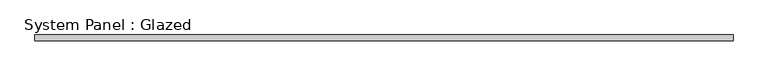
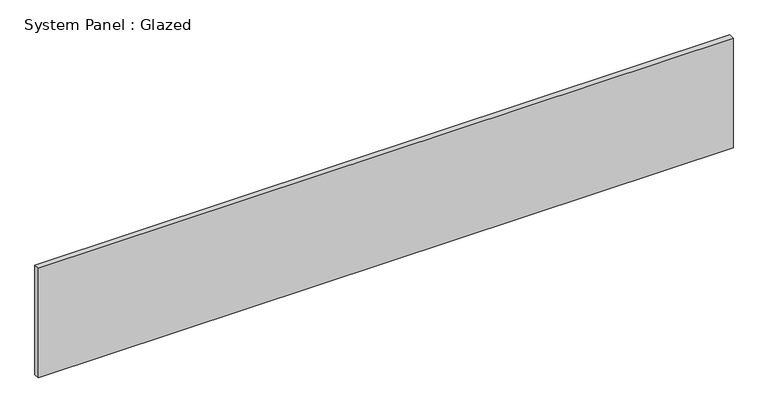
"""IFC4 building model written with IfcOpenShell, lengths in millimetres: plate geometry, System Panel : Glazed."""

import ifcopenshell
import ifcopenshell.guid

model = None  # the IFC model being written
_history = None  # IfcOwnerHistory: only IFC2X3 demands one
_inside = {}  # id of a spatial element -> (the spatial element, [elements in it])
_under = {}  # id of a project, library or spatial element -> (it, [spatial elements below it])
_declared = {}  # id of a project -> (the project, [libraries it declares])
_typed = {}  # id of a type object -> (the type object, [elements of that type])
_made_of = {}  # id of a material, layer set ... -> (it, [elements and type objects made of it])


def new_model(schema):
    """Start an empty IFC model of exactly this schema.

    Asked for "IFC4X3", IfcOpenShell would pick the latest addendum, in which some entities
    have other attributes; the version numbers below select the first issue.
    IFC2X3 requires an IfcOwnerHistory on every rooted entity: one is made here for all.
    """
    global model, _history
    if schema == "IFC4X3":
        model = ifcopenshell.file(schema_version=(4, 3, 0, 0))
    else:
        model = ifcopenshell.file(schema=schema)
    _inside.clear()
    _under.clear()
    _declared.clear()
    _typed.clear()
    _made_of.clear()
    _history = None
    if model.schema == "IFC2X3":
        org = make("IfcOrganization", Name="unknown")
        user = make(
            "IfcPersonAndOrganization",
            ThePerson=make("IfcPerson", FamilyName="unknown"),
            TheOrganization=org,
        )
        app = make(
            "IfcApplication",
            ApplicationDeveloper=org,
            Version="unknown",
            ApplicationFullName="unknown",
            ApplicationIdentifier="unknown",
        )
        _history = make(
            "IfcOwnerHistory",
            OwningUser=user,
            OwningApplication=app,
            ChangeAction="ADDED",
            CreationDate=0,
        )
    return model


def make(cls, **values):
    """One entity of the class cls with the attributes given. An attribute that is None is left unset."""
    return model.create_entity(
        cls, **{name: value for name, value in values.items() if value is not None}
    )


def rooted(cls, **values):
    """An entity with a GlobalId (a new one), such as an element, a storey or a relation."""
    return make(cls, GlobalId=ifcopenshell.guid.new(), OwnerHistory=_history, **values)


def si_unit(unit_type, name, prefix=None):
    """IfcSIUnit, for example si_unit("LENGTHUNIT", "METRE", prefix="MILLI")."""
    return make("IfcSIUnit", UnitType=unit_type, Prefix=prefix, Name=name)


def assignment(units):
    """IfcUnitAssignment: the units of a project."""
    return None if units is None else make("IfcUnitAssignment", Units=units)


def point(xyz):
    """IfcCartesianPoint."""
    return None if xyz is None else make("IfcCartesianPoint", Coordinates=xyz)


def direction(xyz):
    """IfcDirection."""
    return None if xyz is None else make("IfcDirection", DirectionRatios=xyz)


def frame(location, z_axis=None, x_axis=None):
    """IfcAxis2Placement3D, a coordinate frame: its origin and axes. An axis left out is left unset."""
    return make(
        "IfcAxis2Placement3D",
        Location=point(location),
        Axis=direction(z_axis),
        RefDirection=direction(x_axis),
    )


def origin():
    """The frame at (0, 0, 0) with its axes left unset."""
    return frame((0.0, 0.0, 0.0))


def origin_with_axes():
    """The frame at (0, 0, 0) with the z axis (0, 0, 1) and the x axis (1, 0, 0) written out."""
    return frame((0.0, 0.0, 0.0), z_axis=(0.0, 0.0, 1.0), x_axis=(1.0, 0.0, 0.0))


def place(relative_to, where):
    """IfcLocalPlacement: puts the frame where relative to a parent placement (None: the world)."""
    return make(
        "IfcLocalPlacement", PlacementRelTo=relative_to, RelativePlacement=where
    )


def context(
    kind, dimensions, precision=None, world=None, true_north=None, identifier=None
):
    """IfcGeometricRepresentationContext, for example the 3D "Model" context."""
    return make(
        "IfcGeometricRepresentationContext",
        ContextIdentifier=identifier,
        ContextType=kind,
        CoordinateSpaceDimension=dimensions,
        Precision=precision,
        WorldCoordinateSystem=world,
        TrueNorth=true_north,
    )


def project(units=None, contexts=None):
    """IfcProject with its units and contexts."""
    return rooted(
        "IfcProject",
        Name="project",
        RepresentationContexts=contexts,
        UnitsInContext=assignment(units),
    )


def spatial(cls, under=None, at=None, **own):
    """A site, building, storey or space (cls), placed at a placement, below another one or the project."""
    s = rooted(cls, ObjectPlacement=at, **own)
    if under is not None:
        _under.setdefault(under.id(), (under, []))[1].append(s)
    return s


def polyline(points):
    """IfcPolyline through the points."""
    return make("IfcPolyline", Points=[point(p) for p in points])


def outline(outer, holes=None, kind="AREA"):
    """IfcArbitraryClosedProfileDef: a profile drawn as a closed curve; with holes, ...WithVoids."""
    if holes is None:
        return make("IfcArbitraryClosedProfileDef", ProfileType=kind, OuterCurve=outer)
    return make(
        "IfcArbitraryProfileDefWithVoids",
        ProfileType=kind,
        OuterCurve=outer,
        InnerCurves=holes,
    )


def extrude(swept, where, along, depth):
    """IfcExtrudedAreaSolid: the profile swept, set in the frame where, extruded along a direction by depth."""
    return make(
        "IfcExtrudedAreaSolid",
        SweptArea=swept,
        Position=where,
        ExtrudedDirection=direction(along),
        Depth=depth,
    )


def shape(context_of_items, identifier, shape_type, items):
    """IfcShapeRepresentation: the items that make up one representation, for example the "Body"."""
    return make(
        "IfcShapeRepresentation",
        ContextOfItems=context_of_items,
        RepresentationIdentifier=identifier,
        RepresentationType=shape_type,
        Items=items,
    )


def source(mapping_origin, context_of_items, identifier, shape_type, items):
    """IfcRepresentationMap: a shape defined once, which mapped items show again and again."""
    return make(
        "IfcRepresentationMap",
        MappingOrigin=mapping_origin,
        MappedRepresentation=shape(context_of_items, identifier, shape_type, items),
    )


def transform(
    local_origin,
    x_axis=None,
    y_axis=None,
    z_axis=None,
    scale=None,
    scale2=None,
    scale3=None,
    uniform=True,
):
    """IfcCartesianTransformationOperator3D, or its non-uniform kind. x_axis, y_axis, z_axis: its Axis1, 2, 3."""
    if uniform:
        return make(
            "IfcCartesianTransformationOperator3D",
            Axis1=direction(x_axis),
            Axis2=direction(y_axis),
            LocalOrigin=point(local_origin),
            Scale=scale,
            Axis3=direction(z_axis),
        )
    return make(
        "IfcCartesianTransformationOperator3DnonUniform",
        Axis1=direction(x_axis),
        Axis2=direction(y_axis),
        LocalOrigin=point(local_origin),
        Scale=scale,
        Axis3=direction(z_axis),
        Scale2=scale2,
        Scale3=scale3,
    )


def mapped(mapping_source, mapping_target):
    """IfcMappedItem: shows the shape of a source again, moved by a transform."""
    return make(
        "IfcMappedItem", MappingSource=mapping_source, MappingTarget=mapping_target
    )


def made_of(thing, what):
    """Note that an element or type object is made of a material, layer set ...; save() writes the relation."""
    if what is not None:
        _made_of.setdefault(what.id(), (what, []))[1].append(thing)
    return thing


def element(
    cls,
    number,
    at=None,
    inside=None,
    cuts=None,
    type_object=None,
    material=None,
    context=None,
    identifier="Body",
    shape_type=None,
    held_by="IfcProductDefinitionShape",
    body=None,
    shapes=None,
    **own,
):
    """One element of the class cls, such as IfcWall. Its Tag is "e" and its number.

    at: its placement. inside: the storey or other place that contains it. cuts: it is an
    opening in that element (IfcRelVoidsElement). A single representation is given by context,
    identifier, shape_type and body (its items); several are given by shapes. held_by: the class
    of the entity that holds the representations. save() writes the other relations.
    """
    e = rooted(cls, Tag="e%d" % number, ObjectPlacement=at, **own)
    if body is not None:
        shapes = [shape(context, identifier, shape_type, body)]
    if shapes is not None:
        e.Representation = make(held_by, Representations=shapes)
    if inside is not None:
        _inside.setdefault(inside.id(), (inside, []))[1].append(e)
    if cuts is not None:
        rooted(
            "IfcRelVoidsElement", RelatingBuildingElement=cuts, RelatedOpeningElement=e
        )
    if type_object is not None:
        _typed.setdefault(type_object.id(), (type_object, []))[1].append(e)
    return made_of(e, material)


def aggregate(whole, parts):
    """IfcRelAggregates: a whole, such as a stair, and the parts it consists of."""
    return rooted("IfcRelAggregates", RelatingObject=whole, RelatedObjects=parts)


def save(model, path):
    """Write the relations noted so far, then the file.

    IfcRelAggregates (storeys below a building ...), IfcRelContainedInSpatialStructure (elements
    in a storey), IfcRelDefinesByType, IfcRelAssociatesMaterial and IfcRelDeclares: one each for
    every whole, place, type object, material and project.
    """
    for whole, parts in _under.values():
        aggregate(whole, parts)
    for where, things in _inside.values():
        rooted(
            "IfcRelContainedInSpatialStructure",
            RelatedElements=things,
            RelatingStructure=where,
        )
    for kind, things in _typed.values():
        rooted("IfcRelDefinesByType", RelatedObjects=things, RelatingType=kind)
    for what, things in _made_of.values():
        rooted("IfcRelAssociatesMaterial", RelatedObjects=things, RelatingMaterial=what)
    for by, libraries in _declared.values():
        rooted("IfcRelDeclares", RelatingContext=by, RelatedDefinitions=libraries)
    model.write(path)


def system_panel_glazed_aaa2dceb(model_context):
    return source(origin(), model_context, "Body", "SweptSolid", [
        extrude(outline(polyline([(1500.0000187, -49.5), (-1500.0000187, -49.5), (-1500.0000187, -24.5), (1500.0000187, -24.5), (1500.0000187, -49.5)])), origin_with_axes(), (0.0, 0.0, 1.0), 500.0),
    ])


if __name__ == "__main__":
    model = new_model("IFC4")
    model_context = context("Model", 3, world=origin())
    ifc_project = project(units=[si_unit("LENGTHUNIT", "METRE", prefix="MILLI")], contexts=[model_context])
    site = spatial("IfcSite", under=ifc_project)
    building = spatial("IfcBuilding", under=site)
    placement = place(None, origin())
    system_panel_glazed_shape = system_panel_glazed_aaa2dceb(model_context)
    element("IfcPlate", 1, ObjectType="System Panel : Glazed", at=placement, inside=building, context=model_context, shape_type="MappedRepresentation", body=[
        mapped(system_panel_glazed_shape, transform((0.0, 0.0, 0.0), x_axis=(1.0, 0.0, 0.0), y_axis=(0.0, 1.0, 0.0), z_axis=(0.0, 0.0, 1.0))),
    ])
    save(model, "model.ifc")
